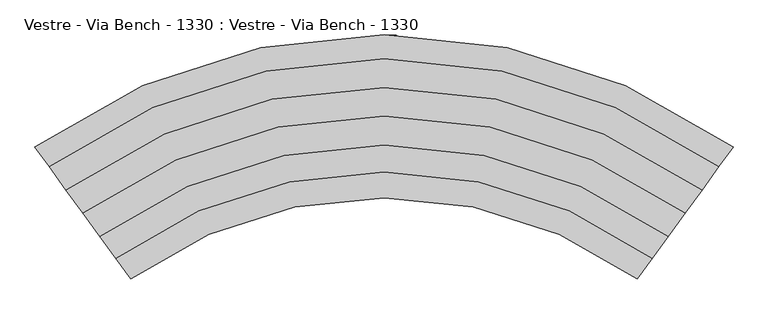
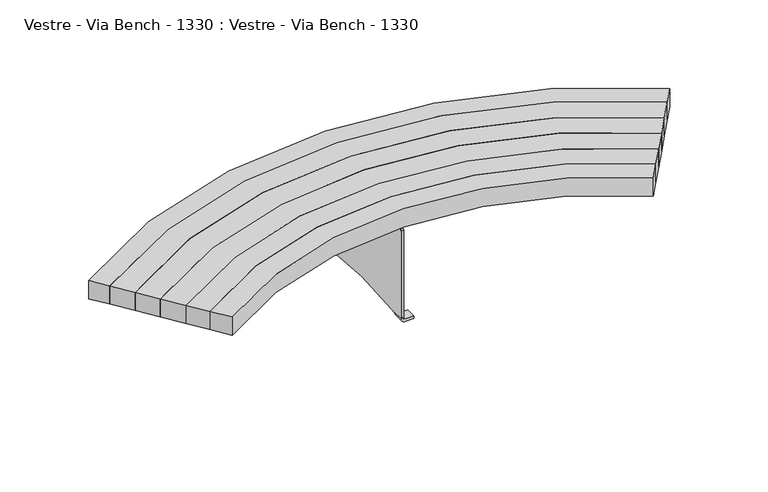
"""IFC4 building model written with IfcOpenShell, lengths in millimetres: furniture geometry, Vestre - Via Bench - 1330 : Vestre - Via Bench - 1330."""

from ifc_helpers import new_model, si_unit, point, frame, frame_2d, origin, place, context, project, spatial, polyline, circle_curve, trimmed, segment, composite_curve, outline, extrude, source, transform, mapped, element, save
from ifc_brep_helpers import plane_surface, cylinder_surface, revolved_surface, advanced_brep


def vestre_via_bench_1330_vestre_via_bench_1330_136ec92f(model_context):
    return source(origin(), model_context, "Body", "SolidModel", [
        extrude(outline(composite_curve([segment(polyline([(-1045.5946669, -157.3527586), (-1089.6791858, -96.6756238)]), True, "CONTINUOUS"), segment(trimmed(circle_curve(frame_2d((0.0, -1613.0635707)), 1867.3063845), [point((-1089.6791858, -96.6756238))], [point((1089.6791858, -96.6756238))], False, "CARTESIAN"), True, "CONTINUOUS"), segment(polyline([(1089.6791858, -96.6756238), (1045.5946669, -157.3527586)]), True, "CONTINUOUS"), segment(trimmed(circle_curve(frame_2d((0.0, -1613.0635707)), 1792.3063845), [point((1045.5946669, -157.3527586))], [point((-1045.5946669, -157.3527586))], True, "CARTESIAN"), True, "CONTINUOUS")], self_intersect=False)), frame((0.0, 0.0, 378.0005819), z_axis=(0.0, 0.0, 1.0), x_axis=(1.0, 0.0, 0.0)), (0.0, 0.0, 1.0), 72.0),
        extrude(outline(composite_curve([segment(polyline([(-992.7079408, -230.1450923), (-1045.5946669, -157.3527586)]), True, "CONTINUOUS"), segment(trimmed(circle_curve(frame_2d((0.0, -1613.0635707)), 1792.3063845), [point((-1045.5946669, -157.3527586))], [point((1045.5946669, -157.3527586))], False, "CARTESIAN"), True, "CONTINUOUS"), segment(polyline([(1045.5946669, -157.3527586), (992.7079408, -230.1450923)]), True, "CONTINUOUS"), segment(trimmed(circle_curve(frame_2d((0.0, -1613.0635707)), 1702.3315111), [point((992.7079408, -230.1450923))], [point((-992.7079408, -230.1450923))], True, "CARTESIAN"), True, "CONTINUOUS")], self_intersect=False)), frame((0.0, 0.0, 378.0005819), z_axis=(0.0, 0.0, 1.0), x_axis=(1.0, 0.0, 0.0)), (0.0, 0.0, 1.0), 72.0),
        extrude(outline(composite_curve([segment(polyline([(-940.2366553, -302.365621), (-992.7079408, -230.1450923)]), True, "CONTINUOUS"), segment(trimmed(circle_curve(frame_2d((0.0, -1613.0635707)), 1702.3315111), [point((-992.7079408, -230.1450923))], [point((992.7079408, -230.1450923))], False, "CARTESIAN"), True, "CONTINUOUS"), segment(polyline([(992.7079408, -230.1450923), (940.2366553, -302.365621)]), True, "CONTINUOUS"), segment(trimmed(circle_curve(frame_2d((0.0, -1613.0635707)), 1613.0635707), [point((940.2366553, -302.365621))], [point((-940.2366553, -302.365621))], True, "CARTESIAN"), True, "CONTINUOUS")], self_intersect=False)), frame((0.0, 0.0, 378.0005819), z_axis=(0.0, 0.0, 1.0), x_axis=(1.0, 0.0, 0.0)), (0.0, 0.0, 1.0), 72.0),
        extrude(outline(composite_curve([segment(polyline([(-887.3358777, -375.1772949), (-940.2366553, -302.365621)]), True, "CONTINUOUS"), segment(trimmed(circle_curve(frame_2d((0.0, -1613.0635707)), 1613.0635707), [point((-940.2366553, -302.365621))], [point((940.2366553, -302.365621))], False, "CARTESIAN"), True, "CONTINUOUS"), segment(polyline([(940.2366553, -302.365621), (887.3358777, -375.1772949)]), True, "CONTINUOUS"), segment(trimmed(circle_curve(frame_2d((0.0, -1613.0635707)), 1523.0651305), [point((887.3358777, -375.1772949))], [point((-887.3358777, -375.1772949))], True, "CARTESIAN"), True, "CONTINUOUS")], self_intersect=False)), frame((0.0, 0.0, 378.0005819), z_axis=(0.0, 0.0, 1.0), x_axis=(1.0, 0.0, 0.0)), (0.0, 0.0, 1.0), 72.0),
        extrude(outline(composite_curve([segment(polyline([(-837.5173504, -443.7466151), (-887.3358777, -375.1772949)]), True, "CONTINUOUS"), segment(trimmed(circle_curve(frame_2d((0.0, -1613.0635707)), 1523.0651305), [point((-887.3358777, -375.1772949))], [point((887.3358777, -375.1772949))], False, "CARTESIAN"), True, "CONTINUOUS"), segment(polyline([(887.3358777, -375.1772949), (837.5173504, -443.7466151)]), True, "CONTINUOUS"), segment(trimmed(circle_curve(frame_2d((0.0, -1613.0635707)), 1438.3106253), [point((837.5173504, -443.7466151))], [point((-837.5173504, -443.7466151))], True, "CARTESIAN"), True, "CONTINUOUS")], self_intersect=False)), frame((0.0, 0.0, 378.0005819), z_axis=(0.0, 0.0, 1.0), x_axis=(1.0, 0.0, 0.0)), (0.0, 0.0, 1.0), 72.0),
        extrude(outline(composite_curve([segment(polyline([(-790.3481694, -508.6694231), (-837.5173504, -443.7466151)]), True, "CONTINUOUS"), segment(trimmed(circle_curve(frame_2d((0.0, -1613.0635707)), 1438.3106253), [point((-837.5173504, -443.7466151))], [point((837.5173504, -443.7466151))], False, "CARTESIAN"), True, "CONTINUOUS"), segment(polyline([(837.5173504, -443.7466151), (790.3481694, -508.6694231)]), True, "CONTINUOUS"), segment(trimmed(circle_curve(frame_2d((0.0, -1613.0635707)), 1358.0635707), [point((790.3481694, -508.6694231))], [point((-790.3481694, -508.6694231))], True, "CARTESIAN"), True, "CONTINUOUS")], self_intersect=False)), frame((0.0, 0.0, 378.0005819), z_axis=(0.0, 0.0, 1.0), x_axis=(1.0, 0.0, 0.0)), (0.0, 0.0, 1.0), 72.0),
        advanced_brep(
        [(5.0, -155.0, 276.0005819), (5.0, 155.0, 276.0005819), (5.0, 233.0, 371.0005819), (5.0, 233.0, 372.0005819), (5.0, 197.0, 372.0005819), (5.0, 197.0, 369.0005819), (5.0, 192.0, 364.0005819), (5.0, -192.0, 364.0005819), (5.0, -197.0, 369.0005819), (5.0, -197.0, 372.0005819), (5.0, -233.0, 372.0005819), (5.0, -233.0, 371.0005819), (0.0, -155.0, 276.0005819), (0.0, -233.0, 371.0005819), (0.0, -233.0, 372.0005819), (0.0, -197.0, 372.0005819), (0.0, -197.0, 369.0005819), (0.0, -192.0, 364.0005819), (0.0, 192.0, 364.0005819), (0.0, 197.0, 369.0005819), (0.0, 197.0, 372.0005819), (0.0, 233.0, 372.0005819), (0.0, 233.0, 371.0005819), (0.0, 155.0, 276.0005819), (6.0, 233.0, 378.0005819), (44.9734518, 233.0, 378.0005819), (44.9734518, 233.0, 373.0005819), (6.0, 233.0, 373.0005819), (6.0, 197.0, 373.0005819), (44.9734518, 197.0, 373.0005819), (44.9734518, 197.0, 378.0005819), (6.0, 197.0, 378.0005819), (6.0, -197.0, 378.0005819), (44.9734518, -197.0, 378.0005819), (44.9734518, -197.0, 373.0005819), (6.0, -197.0, 373.0005819), (6.0, -233.0, 373.0005819), (44.9734518, -233.0, 373.0005819), (44.9734518, -233.0, 378.0005819), (6.0, -233.0, 378.0005819)],
        [
            (0, 1),
            (1, 2),
            (2, 3),
            (3, 4),
            (4, 5),
            (5, 6, circle_curve(frame((5.0, 192.0, 369.0005819), z_axis=(-1.0, 0.0, 0.0), x_axis=(0.0, 0.0, -1.0)), 5.0)),
            (6, 7),
            (7, 8, circle_curve(frame((5.0, -192.0, 369.0005819), z_axis=(-1.0, 0.0, 0.0), x_axis=(0.0, -1.0, 0.0)), 5.0)),
            (8, 9),
            (9, 10),
            (10, 11),
            (11, 0),
            (12, 13),
            (13, 14),
            (14, 15),
            (15, 16),
            (16, 17, circle_curve(frame((0.0, -192.0, 369.0005819), z_axis=(1.0, 0.0, 0.0), x_axis=(0.0, -1.0, 0.0)), 5.0)),
            (17, 18),
            (18, 19, circle_curve(frame((0.0, 192.0, 369.0005819), z_axis=(1.0, 0.0, 0.0), x_axis=(0.0, 0.0, -1.0)), 5.0)),
            (19, 20),
            (20, 21),
            (21, 22),
            (22, 23),
            (23, 12),
            (0, 12),
            (23, 1),
            (22, 2),
            (21, 24, circle_curve(frame((6.0, 233.0, 372.0005819), z_axis=(0.0, 1.0, 0.0), x_axis=(1.0, 0.0, 0.0)), 6.0)),
            (24, 25),
            (25, 26),
            (26, 27),
            (27, 3, circle_curve(frame((6.0, 233.0, 372.0005819), z_axis=(0.0, -1.0, 0.0), x_axis=(1.0, 0.0, 0.0)), 1.0)),
            (4, 28, circle_curve(frame((6.0, 197.0, 372.0005819), z_axis=(0.0, 1.0, 0.0), x_axis=(1.0, 0.0, 0.0)), 1.0)),
            (28, 29),
            (29, 30),
            (30, 31),
            (31, 20, circle_curve(frame((6.0, 197.0, 372.0005819), z_axis=(0.0, -1.0, 0.0), x_axis=(1.0, 0.0, 0.0)), 6.0)),
            (19, 5),
            (18, 6),
            (17, 7),
            (16, 8),
            (15, 32, circle_curve(frame((6.0, -197.0, 372.0005819), z_axis=(0.0, 1.0, 0.0), x_axis=(1.0, 0.0, 0.0)), 6.0)),
            (32, 33),
            (33, 34),
            (34, 35),
            (35, 9, circle_curve(frame((6.0, -197.0, 372.0005819), z_axis=(0.0, -1.0, 0.0), x_axis=(1.0, 0.0, 0.0)), 1.0)),
            (10, 36, circle_curve(frame((6.0, -233.0, 372.0005819), z_axis=(0.0, 1.0, 0.0), x_axis=(1.0, 0.0, 0.0)), 1.0)),
            (36, 37),
            (37, 38),
            (38, 39),
            (39, 14, circle_curve(frame((6.0, -233.0, 372.0005819), z_axis=(0.0, -1.0, 0.0), x_axis=(1.0, 0.0, 0.0)), 6.0)),
            (13, 11),
            (27, 28),
            (26, 29),
            (25, 30),
            (24, 31),
            (35, 36),
            (34, 37),
            (33, 38),
            (32, 39),
        ],
        [
            plane_surface(frame((5.0, -155.0, 276.0005819), z_axis=(1.0, 0.0, 0.0), x_axis=(0.0, 1.0, 0.0))),
            plane_surface(frame((0.0, -155.0, 276.0005819), z_axis=(-1.0, 0.0, 0.0), x_axis=(0.0, -1.0, 0.0))),
            plane_surface(frame((5.0, -155.0, 276.0005819), z_axis=(0.0, 0.0, -1.0), x_axis=(-1.0, 0.0, 0.0))),
            plane_surface(frame((5.0, 155.0, 276.0005819), z_axis=(0.0, 0.7728687450196592, -0.6345659169635074), x_axis=(-1.0, 0.0, 0.0))),
            plane_surface(frame((5.0, 233.0, 371.0005819), z_axis=(0.0, 1.0, 0.0), x_axis=(-1.0, 0.0, 0.0))),
            plane_surface(frame((5.0, 197.0, 372.0005819), z_axis=(0.0, -1.0, 0.0), x_axis=(-1.0, 0.0, 0.0))),
            revolved_surface(polyline([(0.0, 192.0, 364.0005819), (5.0, 192.0, 364.0005819)]), (0.0, 192.0, 369.0005819), (-1.0, 0.0, 0.0)),
            plane_surface(frame((5.0, 192.0, 364.0005819), z_axis=(0.0, 0.0, 1.0), x_axis=(-1.0, 0.0, 0.0))),
            revolved_surface(polyline([(0.0, -197.0, 369.0005819), (5.0, -197.0, 369.0005819)]), (0.0, -192.0, 369.0005819), (-1.0, 0.0, 0.0)),
            plane_surface(frame((5.0, -197.0, 369.0005819), z_axis=(0.0, 1.0, 0.0), x_axis=(-1.0, 0.0, 0.0))),
            plane_surface(frame((5.0, -233.0, 372.0005819), z_axis=(0.0, -1.0, 0.0), x_axis=(-1.0, 0.0, 0.0))),
            plane_surface(frame((5.0, -233.0, 371.0005819), z_axis=(0.0, -0.7728687450196577, -0.6345659169635092), x_axis=(-1.0, 0.0, 0.0))),
            revolved_surface(polyline([(7.0, 233.0, 372.0005819), (7.0, 197.0, 372.0005819)]), (6.0, 233.0, 372.0005819), (0.0, 1.0, 0.0)),
            plane_surface(frame((6.0, 197.0, 373.0005819), z_axis=(0.0, 0.0, -1.0), x_axis=(0.0, 1.0, 0.0))),
            plane_surface(frame((44.9734518, 197.0, 373.0005819), z_axis=(1.0, 0.0, 0.0), x_axis=(0.0, 1.0, 0.0))),
            plane_surface(frame((44.9734518, 197.0, 378.0005819), z_axis=(0.0, 0.0, 1.0), x_axis=(0.0, 1.0, 0.0))),
            cylinder_surface(frame((6.0, 233.0, 372.0005819), z_axis=(0.0, -1.0, 0.0), x_axis=(1.0, 0.0, 0.0)), 6.0),
            revolved_surface(polyline([(7.0, -233.0, 372.0005819), (7.0, -197.0, 372.0005819)]), (6.0, -233.0, 372.0005819), (0.0, -1.0, 0.0)),
            plane_surface(frame((44.9734518, -197.0, 373.0005819), z_axis=(0.0, 0.0, -1.0), x_axis=(0.0, -1.0, 0.0))),
            plane_surface(frame((44.9734518, -197.0, 378.0005819), z_axis=(1.0, 0.0, 0.0), x_axis=(0.0, -1.0, 0.0))),
            plane_surface(frame((6.0, -197.0, 378.0005819), z_axis=(0.0, 0.0, 1.0), x_axis=(0.0, -1.0, 0.0))),
            cylinder_surface(frame((6.0, -233.0, 372.0005819), z_axis=(0.0, 1.0, 0.0), x_axis=(1.0, 0.0, 0.0)), 6.0),
        ],
        [
            (0, [[1, 2, 3, 4, 5, 6, 7, 8, 9, 10, 11, 12]]),
            (1, [[13, 14, 15, 16, 17, 18, 19, 20, 21, 22, 23, 24]]),
            (2, [[-1, 25, -24, 26]]),
            (3, [[-2, -26, -23, 27]]),
            (4, [[-3, -27, -22, 28, 29, 30, 31, 32]]),
            (5, [[-5, 33, 34, 35, 36, 37, -20, 38]]),
            (6, [[-6, -38, -19, 39]]),
            (7, [[-7, -39, -18, 40]]),
            (8, [[-8, -40, -17, 41]]),
            (9, [[-9, -41, -16, 42, 43, 44, 45, 46]]),
            (10, [[-11, 47, 48, 49, 50, 51, -14, 52]]),
            (11, [[-12, -52, -13, -25]]),
            (12, [[-33, -4, -32, 53]]),
            (13, [[-34, -53, -31, 54]]),
            (14, [[-35, -54, -30, 55]]),
            (15, [[-36, -55, -29, 56]]),
            (16, [[-37, -56, -28, -21]]),
            (17, [[-46, 57, -47, -10]]),
            (18, [[-45, 58, -48, -57]]),
            (19, [[-44, 59, -49, -58]]),
            (20, [[-43, 60, -50, -59]]),
            (21, [[-42, -15, -51, -60]]),
        ],
    ),
        advanced_brep(
        [(-9.84, -255.0, 15.84), (6.0, -255.0, 0.0), (38.438956, -255.0, 0.0), (38.438956, -255.0, 9.84), (6.0, -255.0, 9.84), (0.0, -255.0, 15.84), (0.0, -255.0, 364.9077445), (-9.84, -255.0, 364.9077445), (0.0, -214.9992035, 15.84), (6.0, -214.9992035, 9.84), (38.438956, -214.9992035, 9.84), (38.438956, -214.9992035, 0.0), (6.0, -214.9992035, 0.0), (-9.84, -214.9992035, 15.84), (0.0, 252.5468182, 15.84), (0.0, 252.5468182, 364.9077445), (0.0, 247.5468182, 369.9077445), (0.0, -250.0, 369.9077445), (0.0, -193.8988062, 15.84), (0.0, 193.8988062, 15.84), (0.0, 214.9992035, 15.84), (-9.84, 193.8988062, 15.84), (-9.84, -193.8988062, 15.84), (-9.84, -250.0, 369.9077445), (-9.84, 247.5468182, 369.9077445), (-9.84, 252.5468182, 364.9077445), (-9.84, 252.5468182, 15.84), (-9.84, 214.9992035, 15.84), (6.0, 252.5468182, 9.84), (38.438956, 252.5468182, 9.84), (38.438956, 252.5468182, 0.0), (6.0, 252.5468182, 0.0), (6.0, 214.9992035, 0.0), (38.438956, 214.9992035, 0.0), (38.438956, 214.9992035, 9.84), (6.0, 214.9992035, 9.84)],
        [
            (0, 1, circle_curve(frame((6.0, -255.0, 15.84), z_axis=(0.0, -1.0, 0.0), x_axis=(1.0, 0.0, 0.0)), 15.84)),
            (1, 2),
            (2, 3),
            (3, 4),
            (4, 5, circle_curve(frame((6.0, -255.0, 15.84), z_axis=(0.0, 1.0, 0.0), x_axis=(1.0, 0.0, 0.0)), 6.0)),
            (5, 6),
            (6, 7),
            (7, 0),
            (8, 9, circle_curve(frame((6.0, -214.9992035, 15.84), z_axis=(0.0, -1.0, 0.0), x_axis=(1.0, 0.0, 0.0)), 6.0)),
            (9, 10),
            (10, 11),
            (11, 12),
            (12, 13, circle_curve(frame((6.0, -214.9992035, 15.84), z_axis=(0.0, 1.0, 0.0), x_axis=(1.0, 0.0, 0.0)), 15.84)),
            (13, 8),
            (0, 13),
            (12, 1),
            (11, 2),
            (10, 3),
            (9, 4),
            (8, 5),
            (14, 15),
            (15, 16, circle_curve(frame((0.0, 247.5468182, 364.9077445), z_axis=(1.0, 0.0, 0.0), x_axis=(0.0, 1.0, 0.0)), 5.0)),
            (16, 17),
            (17, 6, circle_curve(frame((0.0, -250.0, 364.9077445), z_axis=(1.0, 0.0, 0.0), x_axis=(0.0, 0.0, 1.0)), 5.0)),
            (8, 18),
            (18, 19, circle_curve(frame((0.0, 0.0, -1341.3793091), z_axis=(-1.0, 0.0, 0.0), x_axis=(0.0, 0.1414287426331938, 0.9899484384336358)), 1371.0)),
            (19, 20),
            (20, 14),
            (21, 22, circle_curve(frame((-9.84, 0.0, -1341.3793091), z_axis=(1.0, 0.0, 0.0), x_axis=(0.0, 0.1414287426331938, 0.9899484384336358)), 1371.0)),
            (22, 13),
            (7, 23, circle_curve(frame((-9.84, -250.0, 364.9077445), z_axis=(-1.0, 0.0, 0.0), x_axis=(0.0, 0.0, 1.0)), 5.0)),
            (23, 24),
            (24, 25, circle_curve(frame((-9.84, 247.5468182, 364.9077445), z_axis=(-1.0, 0.0, 0.0), x_axis=(0.0, 1.0, 0.0)), 5.0)),
            (25, 26),
            (26, 27),
            (27, 21),
            (14, 28, circle_curve(frame((6.0, 252.5468182, 15.84), z_axis=(0.0, -1.0, 0.0), x_axis=(1.0, 0.0, 0.0)), 6.0)),
            (28, 29),
            (29, 30),
            (30, 31),
            (31, 26, circle_curve(frame((6.0, 252.5468182, 15.84), z_axis=(0.0, 1.0, 0.0), x_axis=(1.0, 0.0, 0.0)), 15.84)),
            (25, 15),
            (24, 16),
            (23, 17),
            (22, 18),
            (21, 19),
            (27, 20),
            (27, 32, circle_curve(frame((6.0, 214.9992035, 15.84), z_axis=(0.0, -1.0, 0.0), x_axis=(1.0, 0.0, 0.0)), 15.84)),
            (32, 33),
            (33, 34),
            (34, 35),
            (35, 20, circle_curve(frame((6.0, 214.9992035, 15.84), z_axis=(0.0, 1.0, 0.0), x_axis=(1.0, 0.0, 0.0)), 6.0)),
            (31, 32),
            (30, 33),
            (29, 34),
            (28, 35),
        ],
        [
            plane_surface(frame((-9.84, -255.0, 15.84), z_axis=(0.0, -1.0, 0.0), x_axis=(-1.0, 0.0, 0.0))),
            plane_surface(frame((-9.84, -214.9992035, 15.84), z_axis=(0.0, 1.0, 0.0), x_axis=(1.0, 0.0, 0.0))),
            cylinder_surface(frame((6.0, -214.9992035, 15.84), z_axis=(0.0, -1.0, 0.0), x_axis=(1.0, 0.0, 0.0)), 15.84),
            plane_surface(frame((6.0, -255.0, 0.0), z_axis=(0.0, 0.0, -1.0), x_axis=(0.0, 1.0, 0.0))),
            plane_surface(frame((38.438956, -255.0, 0.0), z_axis=(1.0, 0.0, 0.0), x_axis=(0.0, 1.0, 0.0))),
            plane_surface(frame((38.438956, -255.0, 9.84), z_axis=(0.0, 0.0, 1.0), x_axis=(0.0, 1.0, 0.0))),
            revolved_surface(polyline([(12.0, -214.9992035, 15.84), (12.0, -255.0, 15.84)]), (6.0, -214.9992035, 15.84), (0.0, 1.0, 0.0)),
            plane_surface(frame((0.0, 252.5468182, 15.84), z_axis=(1.0, 0.0, 0.0), x_axis=(0.0, 0.0, 1.0))),
            plane_surface(frame((-9.84, 252.5468182, 15.84), z_axis=(-1.0, 0.0, 0.0), x_axis=(0.0, 0.0, -1.0))),
            plane_surface(frame((0.0, 252.5468182, 15.84), z_axis=(0.0, 1.0, 0.0), x_axis=(-1.0, 0.0, 0.0))),
            cylinder_surface(frame((-9.84, 247.5468182, 364.9077445), z_axis=(1.0, 0.0, 0.0), x_axis=(0.0, 1.0, 0.0)), 5.0),
            plane_surface(frame((0.0, 247.5468182, 369.9077445), z_axis=(0.0, 0.0, 1.0), x_axis=(-1.0, 0.0, 0.0))),
            cylinder_surface(frame((-9.84, -250.0, 364.9077445), z_axis=(1.0, 0.0, 0.0), x_axis=(0.0, 0.0, 1.0)), 5.0),
            plane_surface(frame((0.0, -255.0, 15.84), z_axis=(0.0, 0.0, -1.0), x_axis=(-1.0, 0.0, 0.0))),
            revolved_surface(polyline([(-9.84, 193.8988061501087, 15.83999999251455), (3.552713678800501e-15, 193.8988061501087, 15.83999999251455)]), (-9.84, 0.0, -1341.3793091), (-1.0000000000000002, 0.0, 0.0)),
            plane_surface(frame((0.0, 193.8988062, 15.84), z_axis=(0.0, 0.0, -1.0), x_axis=(-1.0, 0.0, 0.0))),
            plane_surface(frame((12.0, 214.9992035, 15.84), z_axis=(0.0, -1.0, 0.0), x_axis=(0.0, 0.0, -1.0))),
            cylinder_surface(frame((6.0, 214.9992035, 15.84), z_axis=(0.0, 1.0, 0.0), x_axis=(1.0, 0.0, 0.0)), 15.84),
            plane_surface(frame((38.438956, 252.5468182, 0.0), z_axis=(0.0, 0.0, -1.0), x_axis=(0.0, -1.0, 0.0))),
            plane_surface(frame((38.438956, 252.5468182, 9.84), z_axis=(1.0, 0.0, 0.0), x_axis=(0.0, -1.0, 0.0))),
            plane_surface(frame((6.0, 252.5468182, 9.84), z_axis=(0.0, 0.0, 1.0), x_axis=(0.0, -1.0, 0.0))),
            revolved_surface(polyline([(12.0, 214.9992035, 15.84), (12.0, 252.5468182, 15.84)]), (6.0, 214.9992035, 15.84), (0.0, -1.0, 0.0)),
        ],
        [
            (0, [[1, 2, 3, 4, 5, 6, 7, 8]]),
            (1, [[9, 10, 11, 12, 13, 14]]),
            (2, [[-1, 15, -13, 16]]),
            (3, [[-2, -16, -12, 17]]),
            (4, [[-3, -17, -11, 18]]),
            (5, [[-4, -18, -10, 19]]),
            (6, [[-5, -19, -9, 20]]),
            (7, [[21, 22, 23, 24, -6, -20, 25, 26, 27, 28]]),
            (8, [[29, 30, -15, -8, 31, 32, 33, 34, 35, 36]]),
            (9, [[-21, 37, 38, 39, 40, 41, -34, 42]]),
            (10, [[-22, -42, -33, 43]]),
            (11, [[-23, -43, -32, 44]]),
            (12, [[-24, -44, -31, -7]]),
            (13, [[45, -25, -14, -30]]),
            (14, [[-26, -45, -29, 46]]),
            (15, [[-46, -36, 47, -27]]),
            (16, [[48, 49, 50, 51, 52, -47]]),
            (17, [[-41, 53, -48, -35]]),
            (18, [[-40, 54, -49, -53]]),
            (19, [[-39, 55, -50, -54]]),
            (20, [[-38, 56, -51, -55]]),
            (21, [[-37, -28, -52, -56]]),
        ],
    ),
    ])


if __name__ == "__main__":
    model = new_model("IFC4")
    model_context = context("Model", 3, world=origin())
    ifc_project = project(units=[si_unit("LENGTHUNIT", "METRE", prefix="MILLI")], contexts=[model_context])
    site = spatial("IfcSite", under=ifc_project)
    building = spatial("IfcBuilding", under=site)
    placement = place(None, origin())
    vestre_via_bench_1330_vestre_via_bench_1330_shape = vestre_via_bench_1330_vestre_via_bench_1330_136ec92f(model_context)
    element("IfcFurniture", 1, ObjectType="Vestre - Via Bench - 1330 : Vestre - Via Bench - 1330", at=placement, inside=building, context=model_context, shape_type="MappedRepresentation", body=[
        mapped(vestre_via_bench_1330_vestre_via_bench_1330_shape, transform((0.0, 0.0, 0.0), x_axis=(1.0, 0.0, 0.0), y_axis=(0.0, 1.0, 0.0), z_axis=(0.0, 0.0, 1.0))),
    ])
    save(model, "model.ifc")
